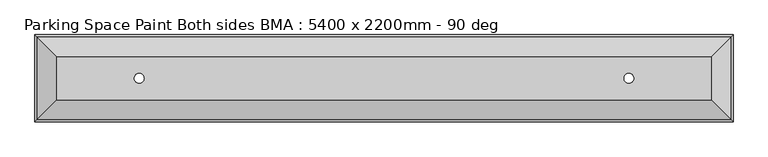
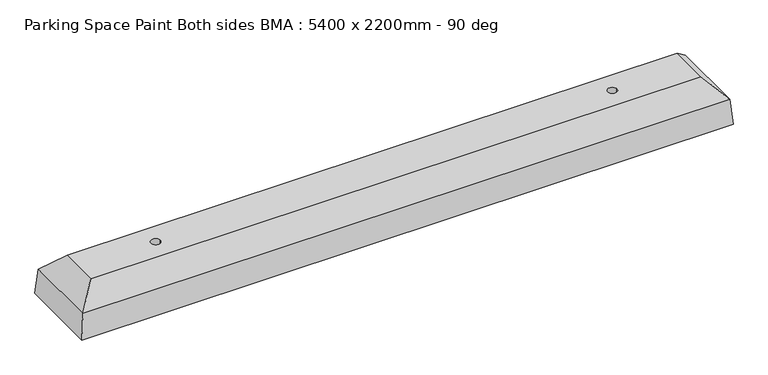
"""IFC4 building model written with IfcOpenShell, lengths in millimetres: proxy geometry, Parking Space Paint Both sides BMA : 5400 x 2200mm - 90 deg."""

from ifc_helpers import new_model, si_unit, point, frame, frame_2d, origin, place, context, project, spatial, polyline, circle_curve, trimmed, segment, composite_curve, outline, extrude, source, transform, mapped, element, save
from ifc_brep_helpers import plane_surface, revolved_surface, advanced_brep


def parking_space_paint_both_sides_bma_5400_x_2200mm_90_deg_20f62ced(model_context):
    return source(origin(), model_context, "Body", "SolidModel", [
        extrude(outline(composite_curve([segment(trimmed(circle_curve(frame_2d((-957.15, 73.025)), 4.7625), [point((-952.3875, 73.025))], [point((-961.9125, 73.025))], False, "CARTESIAN"), True, "CONTINUOUS"), segment(trimmed(circle_curve(frame_2d((-957.15, 73.025)), 4.7625), [point((-961.9125, 73.025))], [point((-952.3875, 73.025))], False, "CARTESIAN"), True, "CONTINUOUS")], self_intersect=False)), frame((261.8, 0.0, 0.0), z_axis=(1.0, 0.0, 0.0), x_axis=(0.0, 1.0, 0.0)), (0.0, 0.0, 1.0), 1676.4),
        extrude(outline(composite_curve([segment(trimmed(circle_curve(frame_2d((-1071.45, 73.025)), 4.7625), [point((-1076.2125, 73.025))], [point((-1066.6875, 73.025))], False, "CARTESIAN"), True, "CONTINUOUS"), segment(trimmed(circle_curve(frame_2d((-1071.45, 73.025)), 4.7625), [point((-1066.6875, 73.025))], [point((-1076.2125, 73.025))], False, "CARTESIAN"), True, "CONTINUOUS")], self_intersect=False)), frame((261.8, 0.0, 0.0), z_axis=(1.0, 0.0, 0.0), x_axis=(0.0, 1.0, 0.0)), (0.0, 0.0, 1.0), 1676.4),
        advanced_brep(
        [(2014.4, -900.0, 0.0), (185.6, -900.0, 0.0), (191.95, -906.35, 73.025), (2008.05, -906.35, 73.025), (242.75, -957.15, 127.0), (1957.25, -957.15, 127.0), (242.75, -1071.45, 127.0), (1957.25, -1071.45, 127.0), (471.35, -1014.3, 127.0), (445.95, -1014.3, 127.0), (1754.05, -1014.3, 127.0), (1728.65, -1014.3, 127.0), (191.95, -1122.25, 73.025), (2008.05, -1122.25, 73.025), (185.6, -1128.6, 0.0), (2014.4, -1128.6, 0.0), (445.95, -1014.3, 0.0), (471.35, -1014.3, 0.0), (1728.65, -1014.3, 0.0), (1754.05, -1014.3, 0.0)],
        [
            (0, 1),
            (1, 2),
            (2, 3),
            (3, 0),
            (2, 4),
            (4, 5),
            (5, 3),
            (4, 6),
            (6, 7),
            (7, 5),
            (8, 9, circle_curve(frame((458.65, -1014.3, 127.0), z_axis=(0.0, 0.0, -1.0), x_axis=(1.0, 0.0, 0.0)), 12.7)),
            (9, 8, circle_curve(frame((458.65, -1014.3, 127.0), z_axis=(0.0, 0.0, -1.0), x_axis=(1.0, 0.0, 0.0)), 12.7)),
            (10, 11, circle_curve(frame((1741.35, -1014.3, 127.0), z_axis=(0.0, 0.0, -1.0), x_axis=(1.0, 0.0, 0.0)), 12.7)),
            (11, 10, circle_curve(frame((1741.35, -1014.3, 127.0), z_axis=(0.0, 0.0, -1.0), x_axis=(1.0, 0.0, 0.0)), 12.7)),
            (6, 12),
            (12, 13),
            (13, 7),
            (14, 15),
            (15, 13),
            (12, 14),
            (0, 15),
            (14, 1),
            (16, 17, circle_curve(frame((458.65, -1014.3, 0.0), z_axis=(0.0, 0.0, 1.0), x_axis=(1.0, 0.0, 0.0)), 12.7)),
            (17, 16, circle_curve(frame((458.65, -1014.3, 0.0), z_axis=(0.0, 0.0, 1.0), x_axis=(1.0, 0.0, 0.0)), 12.7)),
            (18, 19, circle_curve(frame((1741.35, -1014.3, 0.0), z_axis=(0.0, 0.0, 1.0), x_axis=(1.0, 0.0, 0.0)), 12.7)),
            (19, 18, circle_curve(frame((1741.35, -1014.3, 0.0), z_axis=(0.0, 0.0, 1.0), x_axis=(1.0, 0.0, 0.0)), 12.7)),
            (8, 17),
            (16, 9),
            (10, 19),
            (18, 11),
            (12, 2),
            (3, 13),
        ],
        [
            plane_surface(frame((2014.4, -900.0, 0.0), z_axis=(0.0, 0.9962405881957591, 0.08662961636396628), x_axis=(-1.0, 0.0, 0.0))),
            plane_surface(frame((2014.4, -906.35, 73.025), z_axis=(0.0, 0.7281999926923756, 0.6853646990054449), x_axis=(-1.0, 0.0, 0.0))),
            plane_surface(frame((2014.4, -957.15, 127.0), z_axis=(0.0, 0.0, 1.0), x_axis=(-1.0, 0.0, 0.0))),
            plane_surface(frame((2014.4, -1071.45, 127.0), z_axis=(0.0, -0.7281999926928107, 0.6853646990049826), x_axis=(-1.0, 0.0, 0.0))),
            plane_surface(frame((2014.4, -1122.25, 73.025), z_axis=(0.0, -0.9962405881956826, 0.08662961636484577), x_axis=(-1.0, 0.0, 0.0))),
            plane_surface(frame((2014.4, -1128.6, 0.0), z_axis=(0.0, 0.0, -1.0), x_axis=(-1.0, 0.0, 0.0))),
            revolved_surface(polyline([(471.34999999999997, -1014.3, 127.0), (471.34999999999997, -1014.3, 0.0)]), (458.65, -1014.3, 0.0), (0.0, 0.0, 1.0)),
            revolved_surface(polyline([(1754.05, -1014.3, 127.0), (1754.05, -1014.3, 0.0)]), (1741.35, -1014.3, 0.0), (0.0, 0.0, 1.0)),
            plane_surface(frame((191.95, -900.0, 73.025), z_axis=(-0.996240588195701, 0.0, 0.08662961636463416), x_axis=(0.0, -1.0, 0.0))),
            plane_surface(frame((242.75, -900.0, 127.0), z_axis=(-0.7281999926925252, 0.0, 0.685364699005286), x_axis=(0.0, -1.0, 0.0))),
            plane_surface(frame((2014.4, -900.0, 0.0), z_axis=(0.9962405881957032, 0.0, 0.08662961636461013), x_axis=(0.0, -1.0, 0.0))),
            plane_surface(frame((2008.05, -900.0, 73.025), z_axis=(0.7281999926925392, 0.0, 0.6853646990052711), x_axis=(0.0, -1.0, 0.0))),
        ],
        [
            (0, [[1, 2, 3, 4]]),
            (1, [[5, 6, 7, -3]]),
            (2, [[8, 9, 10, -6], [11, 12], [13, 14]]),
            (3, [[15, 16, 17, -9]]),
            (4, [[18, 19, -16, 20]]),
            (5, [[-1, 21, -18, 22], [23, 24], [25, 26]]),
            (6, [[27, -23, 28, -11]]),
            (6, [[-27, -12, -28, -24]]),
            (7, [[29, -25, 30, -13]]),
            (7, [[-29, -14, -30, -26]]),
            (8, [[31, -2, -22, -20]]),
            (9, [[-31, -15, -8, -5]]),
            (10, [[32, -19, -21, -4]]),
            (11, [[-32, -7, -10, -17]]),
        ],
    ),
    ])


if __name__ == "__main__":
    model = new_model("IFC4")
    model_context = context("Model", 3, world=origin())
    ifc_project = project(units=[si_unit("LENGTHUNIT", "METRE", prefix="MILLI")], contexts=[model_context])
    site = spatial("IfcSite", under=ifc_project)
    building = spatial("IfcBuilding", under=site)
    placement = place(None, origin())
    parking_space_paint_both_sides_bma_5400_x_2200mm_90_deg_shape = parking_space_paint_both_sides_bma_5400_x_2200mm_90_deg_20f62ced(model_context)
    element("IfcBuildingElementProxy", 1, Name="Parking Space Paint Both sides BMA : 5400 x 2200mm - 90 deg", ObjectType="Parking Space Paint Both sides BMA : 5400 x 2200mm - 90 deg", at=placement, inside=building, context=model_context, shape_type="MappedRepresentation", body=[
        mapped(parking_space_paint_both_sides_bma_5400_x_2200mm_90_deg_shape, transform((0.0, 0.0, 0.0), x_axis=(1.0, 0.0, 0.0), y_axis=(0.0, 1.0, 0.0), z_axis=(0.0, 0.0, 1.0))),
    ])
    save(model, "model.ifc")
